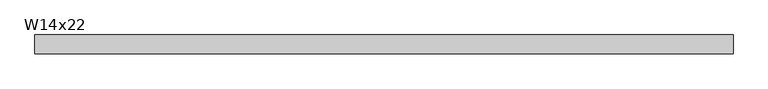
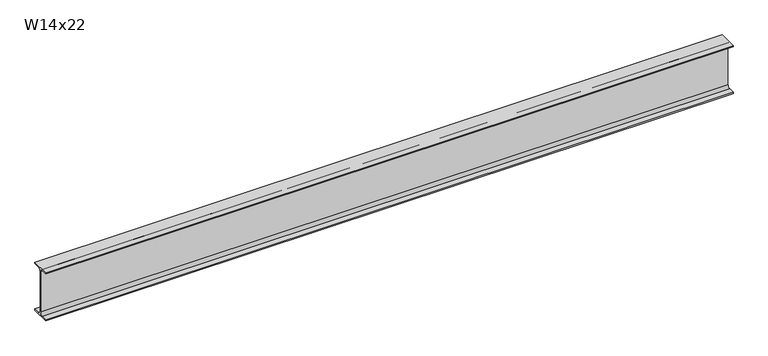
"""IFC4 building model written with IfcOpenShell, lengths in millimetres: beam geometry, W14x22."""

from ifc_helpers import new_model, si_unit, point, frame, frame_2d, origin, place, context, project, spatial, polyline, circle_curve, trimmed, segment, composite_curve, outline, extrude, source, transform, mapped, element, save


def w14x22_bff15cb3(model_context):
    return source(origin(), model_context, "Body", "SweptSolid", [
        extrude(outline(composite_curve([segment(polyline([(63.5, -165.481), (63.5, -173.99), (-63.5, -173.99), (-63.5, -165.481), (-21.3995, -165.481)]), True, "CONTINUOUS"), segment(trimmed(circle_curve(frame_2d((-21.3995, -147.0025)), 18.4785), [point((-21.3995, -165.481))], [point((-2.921, -147.0025))], True, "CARTESIAN"), True, "CONTINUOUS"), segment(polyline([(-2.921, -147.0025), (-2.921, 147.0025)]), True, "CONTINUOUS"), segment(trimmed(circle_curve(frame_2d((-21.3995, 147.0025)), 18.4785), [point((-2.921, 147.0025))], [point((-21.3995, 165.481))], True, "CARTESIAN"), True, "CONTINUOUS"), segment(polyline([(-21.3995, 165.481), (-63.5, 165.481), (-63.5, 173.99), (63.5, 173.99), (63.5, 165.481), (21.3995, 165.481)]), True, "CONTINUOUS"), segment(trimmed(circle_curve(frame_2d((21.3995, 147.0025)), 18.4785), [point((21.3995, 165.481))], [point((2.921, 147.0025))], True, "CARTESIAN"), True, "CONTINUOUS"), segment(polyline([(2.921, 147.0025), (2.921, -147.0025)]), True, "CONTINUOUS"), segment(trimmed(circle_curve(frame_2d((21.3995, -147.0025)), 18.4785), [point((2.921, -147.0025))], [point((21.3995, -165.481))], True, "CARTESIAN"), True, "CONTINUOUS"), segment(polyline([(21.3995, -165.481), (63.5, -165.481)]), True, "CONTINUOUS")], self_intersect=False)), frame((-2282.9370117, 0.0, 0.0), z_axis=(1.0, 0.0, 0.0), x_axis=(0.0, 1.0, 0.0)), (0.0, 0.0, 1.0), 4710.2479625),
    ])


if __name__ == "__main__":
    model = new_model("IFC4")
    model_context = context("Model", 3, world=origin())
    ifc_project = project(units=[si_unit("LENGTHUNIT", "METRE", prefix="MILLI")], contexts=[model_context])
    site = spatial("IfcSite", under=ifc_project)
    building = spatial("IfcBuilding", under=site)
    placement = place(None, origin())
    w14x22_shape = w14x22_bff15cb3(model_context)
    element("IfcBeam", 1, ObjectType="W14x22", at=placement, inside=building, context=model_context, shape_type="MappedRepresentation", body=[
        mapped(w14x22_shape, transform((0.0, 0.0, 0.0), x_axis=(1.0, 0.0, 0.0), y_axis=(0.0, 1.0, 0.0), z_axis=(0.0, 0.0, 1.0))),
    ])
    save(model, "model.ifc")
